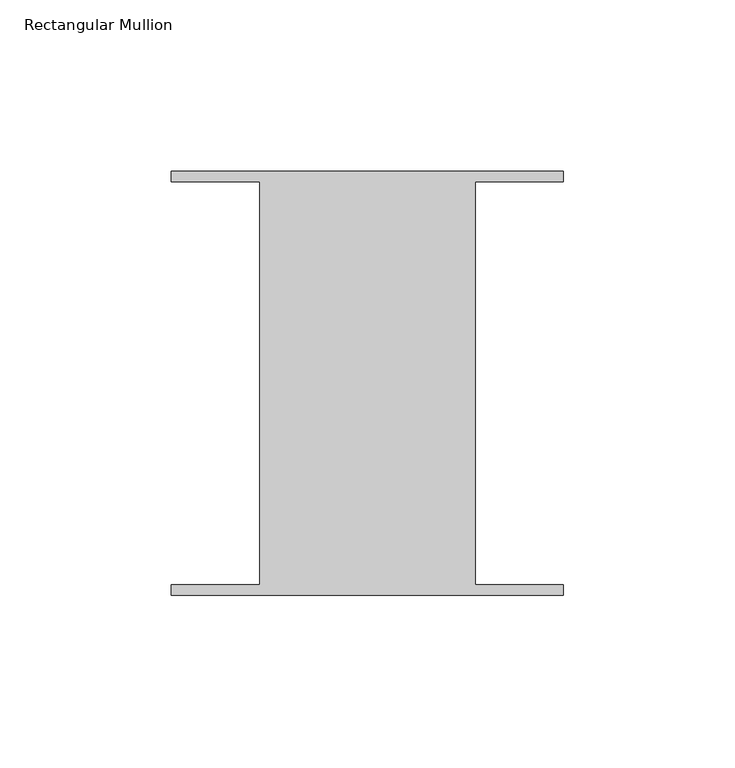
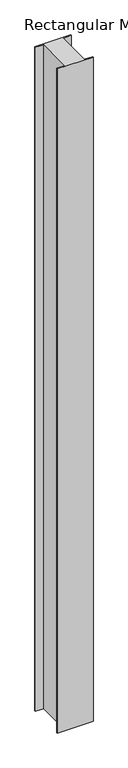
"""IFC4 building model written with IfcOpenShell, lengths in millimetres: member geometry, Rectangular Mullion."""

from ifc_helpers import new_model, si_unit, frame, origin, place, context, project, spatial, polyline, outline, extrude, source, transform, mapped, element, save


def rectangular_mullion_579328f8(model_context):
    return source(origin(), model_context, "Body", "SweptSolid", [
        extrude(outline(polyline([(31.4523438, 58.6995588), (31.4523437, -58.7754412), (57.15, -58.7754413), (57.15, -61.8512225), (-57.15, -61.8512225), (-57.15, -58.7754413), (-31.4523438, -58.7754412), (-31.4523437, 58.6995588), (-57.15, 58.6995587), (-57.15, 61.77534), (57.15, 61.77534), (57.15, 58.6995587), (31.4523438, 58.6995588)])), frame((0.0, 0.0, -2241.55), z_axis=(0.0, 0.0, 1.0), x_axis=(1.0, 0.0, 0.0)), (0.0, 0.0, 1.0), 2241.55),
    ])


if __name__ == "__main__":
    model = new_model("IFC4")
    model_context = context("Model", 3, world=origin())
    ifc_project = project(units=[si_unit("LENGTHUNIT", "METRE", prefix="MILLI")], contexts=[model_context])
    site = spatial("IfcSite", under=ifc_project)
    building = spatial("IfcBuilding", under=site)
    placement = place(None, origin())
    rectangular_mullion_shape = rectangular_mullion_579328f8(model_context)
    element("IfcMember", 1, ObjectType="Rectangular Mullion", at=placement, inside=building, context=model_context, shape_type="MappedRepresentation", body=[
        mapped(rectangular_mullion_shape, transform((0.0, 0.0, 0.0), x_axis=(1.0, 0.0, 0.0), y_axis=(0.0, 1.0, 0.0), z_axis=(0.0, 0.0, 1.0))),
    ])
    save(model, "model.ifc")
